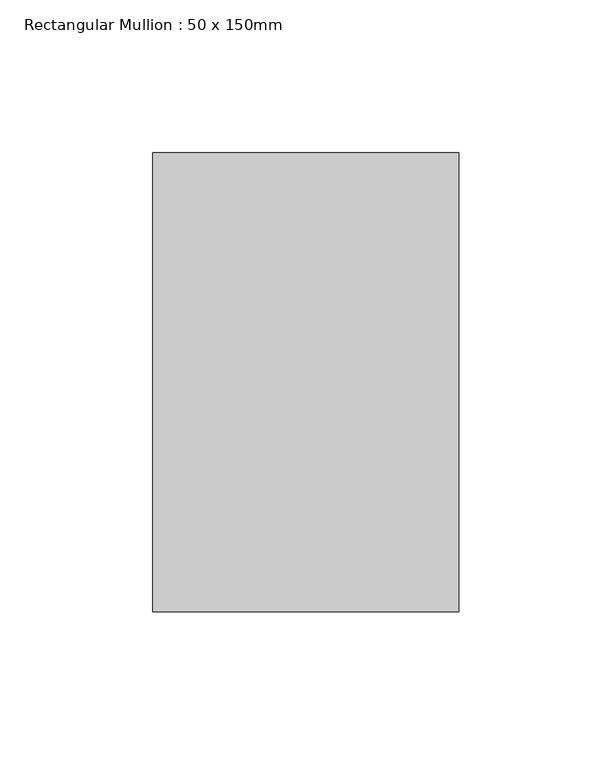
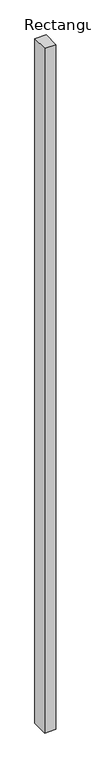
"""IFC4 building model written with IfcOpenShell, lengths in millimetres: member geometry, Rectangular Mullion : 50 x 150mm."""

from ifc_helpers import new_model, si_unit, frame, origin, place, context, project, spatial, polyline, outline, extrude, source, transform, mapped, element, save


def rectangular_mullion_50_x_150mm_ee7d8ede(model_context):
    return source(origin(), model_context, "Body", "SweptSolid", [
        extrude(outline(polyline([(50.0, 75.0), (50.0, -75.0), (-50.0, -75.0), (-50.0, 75.0), (50.0, 75.0)])), frame((0.0, 0.0, -6441.6584833), z_axis=(0.0, 0.0, 1.0), x_axis=(1.0, 0.0, 0.0)), (0.0, 0.0, 1.0), 6441.6584833),
    ])


if __name__ == "__main__":
    model = new_model("IFC4")
    model_context = context("Model", 3, world=origin())
    ifc_project = project(units=[si_unit("LENGTHUNIT", "METRE", prefix="MILLI")], contexts=[model_context])
    site = spatial("IfcSite", under=ifc_project)
    building = spatial("IfcBuilding", under=site)
    placement = place(None, origin())
    rectangular_mullion_50_x_150mm_shape = rectangular_mullion_50_x_150mm_ee7d8ede(model_context)
    element("IfcMember", 1, ObjectType="Rectangular Mullion : 50 x 150mm", at=placement, inside=building, context=model_context, shape_type="MappedRepresentation", body=[
        mapped(rectangular_mullion_50_x_150mm_shape, transform((0.0, 0.0, 0.0), x_axis=(1.0, 0.0, 0.0), y_axis=(0.0, 1.0, 0.0), z_axis=(0.0, 0.0, 1.0))),
    ])
    save(model, "model.ifc")
